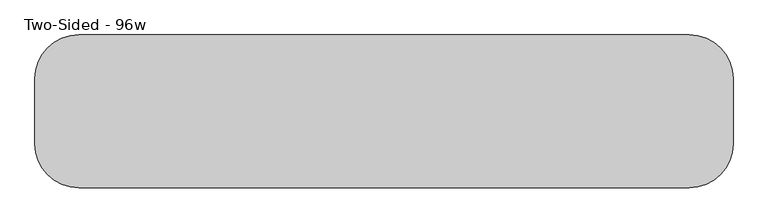
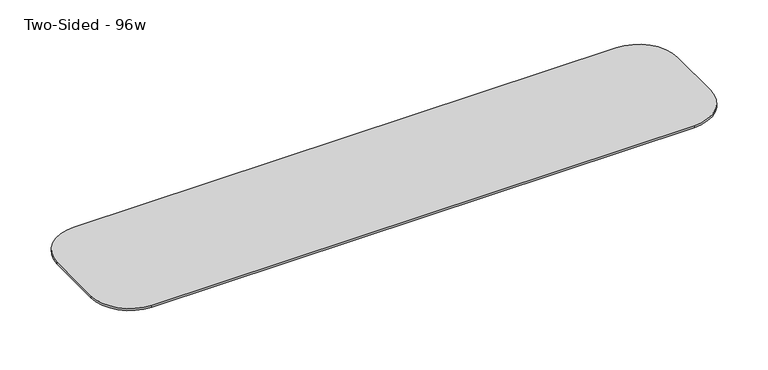
"""IFC4 building model written with IfcOpenShell, lengths in millimetres: furniture geometry, Two-Sided - 96w."""

from ifc_helpers import new_model, si_unit, frame, origin, place, context, project, spatial, polyline, circle_curve, outline, extrude, source, transform, mapped, element, save
from ifc_brep_helpers import plane_surface, cylinder_surface, revolved_surface, advanced_brep


def two_sided_96w_86b7c57e(model_context):
    return source(origin(), model_context, "Body", "SolidModel", [
        extrude(outline(polyline([(-142.2292425, 673.1), (-142.2292425, 711.2), (-2.5292425, 711.2), (-2.5292425, 704.85), (-142.2292425, 673.1)])), frame((445.464177, 0.0, 0.0), z_axis=(1.0, 0.0, 0.0), x_axis=(0.0, 1.0, 0.0)), (0.0, 0.0, 1.0), 82.55),
        extrude(outline(polyline([(-142.2292425, 673.1), (-142.2292425, 711.2), (-2.5292425, 711.2), (-2.5292425, 704.85), (-142.2292425, 673.1)])), frame((-564.185823, 0.0, 0.0), z_axis=(1.0, 0.0, 0.0), x_axis=(0.0, 1.0, 0.0)), (0.0, 0.0, 1.0), 82.55),
        extrude(outline(polyline([(-243.8292425, 673.1), (-383.5292425, 704.85), (-383.5292425, 711.2), (-243.8292425, 711.2), (-243.8292425, 673.1)])), frame((445.464177, 0.0, 0.0), z_axis=(1.0, 0.0, 0.0), x_axis=(0.0, 1.0, 0.0)), (0.0, 0.0, 1.0), 82.55),
        extrude(outline(polyline([(-243.8292425, 673.1), (-383.5292425, 704.85), (-383.5292425, 711.2), (-243.8292425, 711.2), (-243.8292425, 673.1)])), frame((-564.185823, 0.0, 0.0), z_axis=(1.0, 0.0, 0.0), x_axis=(0.0, 1.0, 0.0)), (0.0, 0.0, 1.0), 82.55),
        extrude(outline(polyline([(-142.2292425, 673.1), (-142.2292425, 711.2), (-2.5292425, 711.2), (-2.5292425, 704.85), (-142.2292425, 673.1)])), frame((950.289177, 0.0, 0.0), z_axis=(1.0, 0.0, 0.0), x_axis=(0.0, 1.0, 0.0)), (0.0, 0.0, 1.0), 82.55),
        extrude(outline(polyline([(-142.2292425, 673.1), (-142.2292425, 711.2), (-2.5292425, 711.2), (-2.5292425, 704.85), (-142.2292425, 673.1)])), frame((-1069.010823, 0.0, 0.0), z_axis=(1.0, 0.0, 0.0), x_axis=(0.0, 1.0, 0.0)), (0.0, 0.0, 1.0), 82.55),
        extrude(outline(polyline([(-243.8292425, 673.1), (-383.5292425, 704.85), (-383.5292425, 711.2), (-243.8292425, 711.2), (-243.8292425, 673.1)])), frame((950.289177, 0.0, 0.0), z_axis=(1.0, 0.0, 0.0), x_axis=(0.0, 1.0, 0.0)), (0.0, 0.0, 1.0), 82.55),
        extrude(outline(polyline([(-243.8292425, 673.1), (-383.5292425, 704.85), (-383.5292425, 711.2), (-243.8292425, 711.2), (-243.8292425, 673.1)])), frame((-1069.010823, 0.0, 0.0), z_axis=(1.0, 0.0, 0.0), x_axis=(0.0, 1.0, 0.0)), (0.0, 0.0, 1.0), 82.55),
        advanced_brep(
        [(1048.714177, 73.6707575, 742.95), (-1084.885823, 73.6707575, 742.95), (-1237.285823, -78.7292425, 742.95), (-1237.285823, -307.3292425, 742.95), (-1084.885823, -459.7292425, 742.95), (1048.714177, -459.7292425, 742.95), (1201.114177, -307.3292425, 742.95), (1201.114177, -78.7292425, 742.95), (1150.314177, -307.3292425, 711.2), (1048.714177, -408.9292425, 711.2), (-1084.885823, -408.9292425, 711.2), (-1186.485823, -307.3292425, 711.2), (-1186.485823, -78.7292425, 711.2), (-1084.885823, 22.8707575, 711.2), (1048.714177, 22.8707575, 711.2), (1150.314177, -78.7292425, 711.2), (1048.714177, 73.6707575, 734.45116), (-1084.885823, 73.6707575, 734.45116), (-1237.285823, -78.7292425, 734.45116), (-1237.285823, -307.3292425, 734.45116), (-1084.885823, -459.7292425, 734.45116), (1048.714177, -459.7292425, 734.45116), (1201.114177, -307.3292425, 734.45116), (1201.114177, -78.7292425, 734.45116)],
        [
            (0, 1),
            (1, 2, circle_curve(frame((-1084.885823, -78.7292425, 742.95), z_axis=(0.0, 0.0, 1.0), x_axis=(1.0, 0.0, 0.0)), 152.4)),
            (2, 3),
            (3, 4, circle_curve(frame((-1084.885823, -307.3292425, 742.95), z_axis=(0.0, 0.0, 1.0), x_axis=(1.0, 0.0, 0.0)), 152.4)),
            (4, 5),
            (5, 6, circle_curve(frame((1048.714177, -307.3292425, 742.95), z_axis=(0.0, 0.0, 1.0), x_axis=(1.0, 0.0, 0.0)), 152.4)),
            (6, 7),
            (7, 0, circle_curve(frame((1048.714177, -78.7292425, 742.95), z_axis=(0.0, 0.0, 1.0), x_axis=(1.0, 0.0, 0.0)), 152.4)),
            (8, 9, circle_curve(frame((1048.714177, -307.3292425, 711.2), z_axis=(0.0, 0.0, -1.0), x_axis=(0.0, -1.0, 0.0)), 101.6)),
            (9, 10),
            (10, 11, circle_curve(frame((-1084.885823, -307.3292425, 711.2), z_axis=(0.0, 0.0, -1.0), x_axis=(-1.0, 0.0, 0.0)), 101.6)),
            (11, 12),
            (12, 13, circle_curve(frame((-1084.885823, -78.7292425, 711.2), z_axis=(0.0, 0.0, -1.0), x_axis=(0.0, 1.0, 0.0)), 101.6)),
            (13, 14),
            (14, 15, circle_curve(frame((1048.714177, -78.7292425, 711.2), z_axis=(0.0, 0.0, -1.0), x_axis=(1.0, 0.0, 0.0)), 101.6)),
            (15, 8),
            (0, 16),
            (16, 17),
            (17, 1),
            (2, 18),
            (18, 19),
            (19, 3),
            (4, 20),
            (20, 21),
            (21, 5),
            (6, 22),
            (22, 23),
            (23, 7),
            (17, 18, circle_curve(frame((-1084.885823, -78.7292425, 734.45116), z_axis=(0.0, 0.0, 1.0), x_axis=(1.0, 0.0, 0.0)), 152.4)),
            (19, 20, circle_curve(frame((-1084.885823, -307.3292425, 734.45116), z_axis=(0.0, 0.0, 1.0), x_axis=(1.0, 0.0, 0.0)), 152.4)),
            (21, 22, circle_curve(frame((1048.714177, -307.3292425, 734.45116), z_axis=(0.0, 0.0, 1.0), x_axis=(1.0, 0.0, 0.0)), 152.4)),
            (23, 16, circle_curve(frame((1048.714177, -78.7292425, 734.45116), z_axis=(0.0, 0.0, 1.0), x_axis=(1.0, 0.0, 0.0)), 152.4)),
            (8, 22),
            (21, 9),
            (15, 23),
            (18, 12),
            (11, 19),
            (10, 20),
            (14, 16),
            (13, 17),
        ],
        [
            plane_surface(frame((-1084.885823, 73.6707575, 742.95), z_axis=(0.0, 0.0, 1.0), x_axis=(-1.0, 0.0, 0.0))),
            plane_surface(frame((-1084.885823, 73.6707575, 711.2), z_axis=(0.0, 0.0, -1.0), x_axis=(1.0, 0.0, 0.0))),
            plane_surface(frame((1048.714177, 73.6707575, 742.95), z_axis=(0.0, 1.0, 0.0), x_axis=(0.0, 0.0, -1.0))),
            plane_surface(frame((-1237.285823, -78.7292425, 742.95), z_axis=(-1.0, 0.0, 0.0), x_axis=(0.0, 0.0, -1.0))),
            plane_surface(frame((-1084.885823, -459.7292425, 742.95), z_axis=(0.0, -1.0, 0.0), x_axis=(0.0, 0.0, -1.0))),
            plane_surface(frame((1201.114177, -307.3292425, 742.95), z_axis=(1.0, 0.0, 0.0), x_axis=(0.0, 0.0, -1.0))),
            cylinder_surface(frame((-1084.885823, -78.7292425, 711.2), z_axis=(0.0, 0.0, 1.0), x_axis=(1.0, 0.0, 0.0)), 152.4),
            cylinder_surface(frame((-1084.885823, -307.3292425, 711.2), z_axis=(0.0, 0.0, 1.0), x_axis=(1.0, 0.0, 0.0)), 152.4),
            cylinder_surface(frame((1048.714177, -307.3292425, 711.2), z_axis=(0.0, 0.0, 1.0), x_axis=(1.0, 0.0, 0.0)), 152.4),
            cylinder_surface(frame((1048.714177, -78.7292425, 711.2), z_axis=(0.0, 0.0, 1.0), x_axis=(1.0, 0.0, 0.0)), 152.4),
            revolved_surface(polyline([(1048.714177, -325.686944, 673.1), (1048.714177, -459.7292425, 734.45116)]), (1048.714177, -307.3292425, 742.95), (0.0, 0.0, 1.0)),
            plane_surface(frame((1201.114177, -307.3292425, 734.45116), z_axis=(0.4161787475539382, 0.0, -0.9092828218351183), x_axis=(0.0, 1.0, 0.0))),
            plane_surface(frame((-1237.285823, -78.7292425, 734.45116), z_axis=(-0.4161787475539382, 0.0, -0.9092828218351183), x_axis=(0.0, -1.0, 0.0))),
            revolved_surface(polyline([(-1103.2435246, -307.3292425, 673.1), (-1237.285823, -307.3292425, 734.45116)]), (-1084.885823, -307.3292425, 742.95), (0.0, 0.0, 1.0)),
            plane_surface(frame((-1084.885823, -459.7292425, 734.45116), z_axis=(0.0, -0.4161787475539382, -0.9092828218351183), x_axis=(1.0, 0.0, 0.0))),
            revolved_surface(polyline([(1067.0718785, -78.7292425, 673.1), (1201.114177, -78.7292425, 734.45116)]), (1048.714177, -78.7292425, 742.95), (0.0, 0.0, 1.0)),
            plane_surface(frame((1048.714177, 73.6707575, 734.45116), z_axis=(0.0, 0.4161787475539382, -0.9092828218351183), x_axis=(-1.0, 0.0, 0.0))),
            revolved_surface(polyline([(-1084.885823, -60.3715409, 673.1), (-1084.885823, 73.6707575, 734.45116)]), (-1084.885823, -78.7292425, 742.95), (0.0, 0.0, 1.0)),
        ],
        [
            (0, [[1, 2, 3, 4, 5, 6, 7, 8]]),
            (1, [[9, 10, 11, 12, 13, 14, 15, 16]]),
            (2, [[-1, 17, 18, 19]]),
            (3, [[-3, 20, 21, 22]]),
            (4, [[-5, 23, 24, 25]]),
            (5, [[-7, 26, 27, 28]]),
            (6, [[-2, -19, 29, -20]]),
            (7, [[-4, -22, 30, -23]]),
            (8, [[-6, -25, 31, -26]]),
            (9, [[-8, -28, 32, -17]]),
            (10, [[33, -31, 34, -9]]),
            (11, [[-33, -16, 35, -27]]),
            (12, [[36, -12, 37, -21]]),
            (13, [[-37, -11, 38, -30]]),
            (14, [[-38, -10, -34, -24]]),
            (15, [[-35, -15, 39, -32]]),
            (16, [[-39, -14, 40, -18]]),
            (17, [[-40, -13, -36, -29]]),
        ],
    ),
    ])


if __name__ == "__main__":
    model = new_model("IFC4")
    model_context = context("Model", 3, world=origin())
    ifc_project = project(units=[si_unit("LENGTHUNIT", "METRE", prefix="MILLI")], contexts=[model_context])
    site = spatial("IfcSite", under=ifc_project)
    building = spatial("IfcBuilding", under=site)
    placement = place(None, origin())
    two_sided_96w_shape = two_sided_96w_86b7c57e(model_context)
    element("IfcFurniture", 1, ObjectType="Two-Sided - 96w", at=placement, inside=building, context=model_context, shape_type="MappedRepresentation", body=[
        mapped(two_sided_96w_shape, transform((0.0, 0.0, 0.0), x_axis=(1.0, 0.0, 0.0), y_axis=(0.0, 1.0, 0.0), z_axis=(0.0, 0.0, 1.0))),
    ])
    save(model, "model.ifc")
